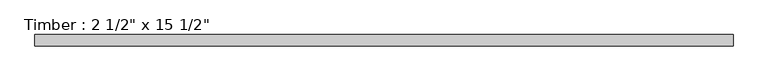
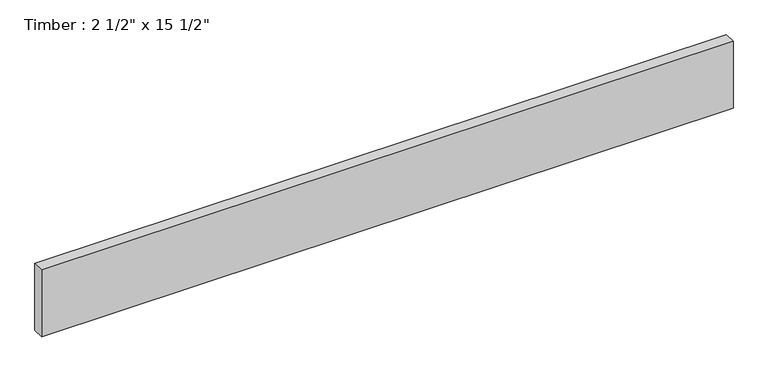
"""IFC4 building model written with IfcOpenShell, lengths in millimetres: beam geometry."""

from ifc_helpers import new_model, si_unit, frame, origin, place, context, project, spatial, polyline, outline, extrude, source, transform, mapped, element, save


def beam_06d937a1(model_context):
    return source(origin(), model_context, "Body", "SweptSolid", [
        extrude(outline(polyline([(1921.9785271, 31.75), (1921.9785271, -31.75), (-1921.9785271, -31.75), (-1921.9785271, 31.75), (1921.9785271, 31.75)])), frame((0.0, 0.0, -196.85), z_axis=(0.0, 0.0, 1.0), x_axis=(1.0, 0.0, 0.0)), (0.0, 0.0, 1.0), 393.7),
    ])


if __name__ == "__main__":
    model = new_model("IFC4")
    model_context = context("Model", 3, world=origin())
    ifc_project = project(units=[si_unit("LENGTHUNIT", "METRE", prefix="MILLI")], contexts=[model_context])
    site = spatial("IfcSite", under=ifc_project)
    building = spatial("IfcBuilding", under=site)
    placement = place(None, origin())
    beam_shape = beam_06d937a1(model_context)
    element("IfcBeam", 1, ObjectType="Timber : 2 1/2\" x 15 1/2\"", at=placement, inside=building, context=model_context, shape_type="MappedRepresentation", body=[
        mapped(beam_shape, transform((0.0, 0.0, 0.0), x_axis=(1.0, 0.0, 0.0), y_axis=(0.0, 1.0, 0.0), z_axis=(0.0, 0.0, 1.0))),
    ])
    save(model, "model.ifc")
